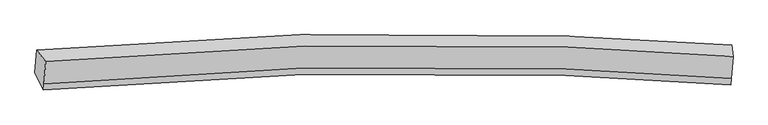
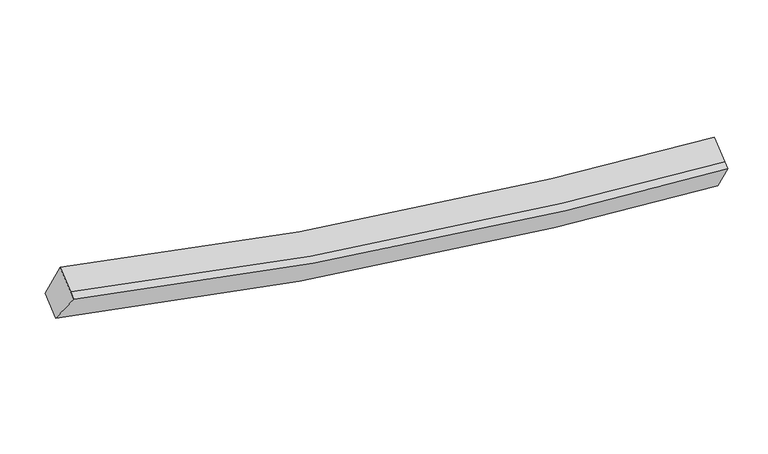
"""IFC4 building model written with IfcOpenShell, lengths in millimetres: proxy geometry."""

from ifc_helpers import new_model, si_unit, frame, origin, place, context, project, spatial, source, transform, mapped, element, save
from ifc_brep_helpers import plane_surface, spline_curve, spline_surface, advanced_brep


def generic_models_89184cb9(model_context):
    return source(origin(), model_context, "Body", "AdvancedBrep", [
        advanced_brep(
        [(-7166.1737882, -1829.8010908, 4147.0742279), (-6997.7770666, -2043.7924353, 4752.9219014), (5764.9650686, -1943.1115511, 2894.0434796), (5743.5497504, -1734.0585399, 2285.5155488), (-7029.7220899, -2454.2483249, 4508.7849805), (5733.1075854, -2352.442653, 2650.5755763), (-7039.0658397, -2574.3044956, 4437.376226), (5723.7638355, -2472.4988236, 2579.1668218), (-7198.3355754, -2243.0421412, 3901.2807085), (5711.194673, -2149.7831413, 2038.2448269)],
        [
            (0, 1),
            (1, 2, spline_curve(3, [(-6997.7770666, -2043.7924353, 4752.9219014), (-3805.623647804, -1747.280589289, 3825.731119652), (-573.23526183, -1657.406835823, 3245.264423753), (3717.354138587, -1810.491313491, 2938.814994804), (4739.213131622, -1866.804772221, 2899.655549427), (5764.9650686, -1943.1115511, 2894.0434796)], [4, 2, 4], [0.0, 32.56275453396864, 42.691564052170065])),
            (2, 3),
            (3, 0, spline_curve(3, [(5743.5497504, -1734.0585399, 2285.5155488), (4711.991191447, -1657.511026904, 2291.685609342), (3682.945359793, -1600.921289519, 2331.32094983), (-643.753023721, -1446.522520746, 2639.430191214), (-3917.948371984, -1535.026440608, 3220.314409867), (-7166.1737882, -1829.8010908, 4147.0742279)], [4, 2, 4], [0.0, 10.128809518201422, 42.691564052170065])),
            (1, 4),
            (4, 5, spline_curve(3, [(-7029.7220899, -2454.2483249, 4508.7849805), (-3837.51723424, -2157.075574116, 3581.987300768), (-605.099669173, -2066.826891987, 3001.743611841), (3685.498809176, -2219.794745717, 2695.363548995), (4707.35780183, -2276.108204408, 2656.204103857), (5733.1075854, -2352.442653, 2650.5755763)], [4, 2, 4], [0.0, 32.38160410483113, 42.45406586569034])),
            (5, 2),
            (4, 6),
            (6, 7, spline_curve(3, [(-7039.0658397, -2574.3044956, 4437.376226), (-3846.860984019, -2277.131745352, 3510.578546368), (-614.443418389, -2186.88306193, 2930.334856779), (3676.155059064, -2339.850916652, 2623.954794801), (4698.014051853, -2396.164375057, 2584.795349417), (5723.7638355, -2472.4988236, 2579.1668218)], [4, 2, 4], [0.0, 32.38160251740025, 42.45406378448105])),
            (7, 5),
            (6, 8),
            (8, 9, spline_curve(3, [(-7198.3355754, -2243.0421412, 3901.2807085), (-3950.22373307, -1949.726780537, 2973.652914106), (-676.092815276, -1862.050709219, 2392.276294302), (3650.585527653, -2016.706986154, 2084.013888927), (4679.631359253, -2073.296723204, 2044.378548641), (5711.194673, -2149.7831413, 2038.2448269)], [4, 2, 4], [0.0, 32.56275628163219, 42.691566343453204])),
            (9, 7),
            (8, 0),
            (3, 9),
        ],
        [
            spline_surface(3, 3, [[(-7166.1737882, -1829.8010908, 4147.0742279), (-3917.948372162, -1535.026441102, 3220.314410194), (-643.753024213, -1446.522520242, 2639.430190932), (3682.945359946, -1600.921289676, 2331.320949918), (4711.991191578, -1657.51102687, 2291.685609461), (5743.5497504, -1734.0585399, 2285.5155488)], [(-7110.041547661, -1901.131538956, 4349.02345242), (-3880.506797424, -1605.77782376, 3422.119979969), (-620.247103593, -1516.817292047, 2841.374935349), (3694.41495286, -1670.777964294, 2533.818964849), (4721.065171563, -1727.275608638, 2494.342256107), (5750.688189797, -1803.742876949, 2488.35819239)], [(-7053.909307139, -1972.461987144, 4550.97267688), (-3843.065222702, -1676.529206449, 3623.925549685), (-596.741182926, -1587.112063862, 3043.319679733), (3705.884545821, -1740.634638922, 2736.316979749), (4730.139151555, -1797.04019046, 2696.998902785), (5757.826629203, -1873.427214051, 2691.20083601)], [(-6997.7770666, -2043.7924353, 4752.9219014), (-3805.623647964, -1747.280589107, 3825.73111946), (-573.235262306, -1657.406835666, 3245.26442415), (3717.354138735, -1810.491313539, 2938.81499468), (4739.21313154, -1866.804772228, 2899.655549432), (5764.9650686, -1943.1115511, 2894.0434796)]], [4, 4], [4, 2, 4], [0.0, 2.120514597948535], [0.0, 32.56275453396864, 42.691564052170065]),
            spline_surface(3, 3, [[(-6997.7770666, -2043.7924353, 4752.9219014), (-3805.623647964, -1747.280589107, 3825.73111946), (-573.235262306, -1657.406835666, 3245.26442415), (3717.354138735, -1810.491313539, 2938.81499468), (4739.21313154, -1866.804772228, 2899.655549432), (5764.9650686, -1943.1115511, 2894.0434796)], [(-7008.4254077, -2180.61106518, 4671.542927761), (-3816.254843407, -1883.878917496, 3744.483179944), (-583.856731065, -1793.880187636, 3164.090819926), (3706.735695511, -1946.925790962, 2857.664512824), (4728.594688316, -2003.239249651, 2818.505067576), (5754.345907551, -2079.555251724, 2812.887511834)], [(-7019.0737488, -2317.42969502, 4590.163954139), (-3826.886038849, -2020.477245844, 3663.235240446), (-594.478199876, -1930.353539635, 3082.917215698), (3696.117252233, -2083.360268413, 2776.514030965), (4717.976245039, -2139.673727102, 2737.354585717), (5743.726746449, -2215.998952376, 2731.731544066)], [(-7029.7220899, -2454.2483249, 4508.7849805), (-3837.517234291, -2157.075574233, 3581.987300931), (-605.099668635, -2066.826891605, 3001.743611474), (3685.498809009, -2219.794745836, 2695.363549109), (4707.357801814, -2276.108204525, 2656.204103861), (5733.1075854, -2352.442653, 2650.5755763)]], [4, 4], [4, 2, 4], [0.0, 1.5667829104478952], [0.0, 32.38160410483113, 42.45406586569034]),
            spline_surface(3, 3, [[(-7029.7220899, -2454.2483249, 4508.7849805), (-3837.517234291, -2157.075574233, 3581.987300931), (-605.099668635, -2066.826891605, 3001.743611474), (3685.498809009, -2219.794745836, 2695.363549109), (4707.357801814, -2276.108204525, 2656.204103861), (5733.1075854, -2352.442653, 2650.5755763)], [(-7032.836673194, -2494.267048464, 4484.982062339), (-3840.631817584, -2197.094297797, 3558.184382769), (-608.214251928, -2106.845615169, 2977.940693313), (3682.384225715, -2259.8134694, 2671.560630948), (4704.243218521, -2316.126928088, 2632.401185699), (5729.993002106, -2392.461376564, 2626.772658139)], [(-7035.951256406, -2534.285772036, 4461.179144161), (-3843.746400797, -2237.113021369, 3534.381464592), (-611.328835241, -2146.864338741, 2954.137775235), (3679.269642403, -2299.832192972, 2647.757712871), (4701.128635208, -2356.145651561, 2608.598267522), (5726.878418794, -2432.480100036, 2602.969739961)], [(-7039.0658397, -2574.3044956, 4437.376226), (-3846.860984091, -2277.131744933, 3510.578546431), (-614.443418535, -2186.883062305, 2930.334857074), (3676.155059109, -2339.850916536, 2623.954794709), (4698.014051914, -2396.164375125, 2584.795349361), (5723.7638355, -2472.4988236, 2579.1668218)]], [4, 4], [4, 2, 4], [0.0, 0.45931758530184014], [0.0, 32.38160251740025, 42.45406378448105]),
            spline_surface(3, 3, [[(-7039.0658397, -2574.3044956, 4437.376226), (-3846.860984091, -2277.131744933, 3510.578546431), (-614.443418535, -2186.883062305, 2930.334857074), (3676.155059109, -2339.850916536, 2623.954794709), (4698.014051914, -2396.164375125, 2584.795349361), (5723.7638355, -2472.4988236, 2579.1668218)], [(-7092.155751584, -2463.883710805, 4258.67772017), (-3881.315233743, -2167.99675666, 3331.603335593), (-634.993217439, -2078.605611415, 2750.982002685), (3667.631881944, -2232.136273058, 2443.974492845), (4691.886487678, -2288.541824496, 2404.656415781), (5719.574114645, -2364.9269295, 2398.859490172)], [(-7145.245663516, -2353.462925995, 4079.97921433), (-3915.769483444, -2058.861768374, 3152.628124745), (-655.54301632, -1970.328160466, 2571.629148245), (3659.108704803, -2124.421629521, 2263.994190929), (4685.758923506, -2180.919273866, 2224.517482187), (5715.384393855, -2257.3550354, 2218.552158528)], [(-7198.3355754, -2243.0421412, 3901.2807085), (-3950.223733096, -1949.726780101, 2973.652913907), (-676.092815225, -1862.050709576, 2392.276293856), (3650.585527638, -2016.706986043, 2084.013889065), (4679.63135927, -2073.296723237, 2044.378548608), (5711.194673, -2149.7831413, 2038.2448269)]], [4, 4], [4, 2, 4], [0.0, 2.074947705329032], [0.0, 32.56275628163219, 42.691566343453204]),
            spline_surface(3, 3, [[(-7198.3355754, -2243.0421412, 3901.2807085), (-3950.223733096, -1949.726780101, 2973.652913907), (-676.092815225, -1862.050709576, 2392.276293856), (3650.585527638, -2016.706986043, 2084.013889065), (4679.63135927, -2073.296723237, 2044.378548608), (5711.194673, -2149.7831413, 2038.2448269)], [(-7187.614979661, -2105.295124396, 3983.21188161), (-3939.465279446, -1811.493333764, 3055.873412646), (-665.312884888, -1723.541313127, 2474.660926214), (3661.372138407, -1878.111753917, 2166.449576015), (4690.417970039, -1934.701491111, 2126.814235558), (5721.9796988, -2011.208274163, 2120.668400866)], [(-7176.894383939, -1967.548107604, 4065.14305479), (-3928.706825812, -1673.259887439, 3138.093911455), (-654.53295455, -1585.031916691, 2557.045558574), (3672.158749176, -1739.516521802, 2248.885262968), (4701.204580809, -1796.106258996, 2209.249922511), (5732.7647246, -1872.633407037, 2203.091974834)], [(-7166.1737882, -1829.8010908, 4147.0742279), (-3917.948372162, -1535.026441102, 3220.314410194), (-643.753024213, -1446.522520242, 2639.430190932), (3682.945359946, -1600.921289676, 2331.320949918), (4711.991191578, -1657.51102687, 2291.685609461), (5743.5497504, -1734.0585399, 2285.5155488)]], [4, 4], [4, 2, 4], [0.0, 1.5888657987472776], [0.0, 32.74394571245276, 42.9291156632868]),
            plane_surface(frame((5735.8683318, -2074.863014, 2449.2426692), z_axis=(0.9975708421131348, -0.047128022470168784, -0.05129682703386622), x_axis=(-0.019951051688835125, 0.5122471147601387, -0.8586063410879416))),
            plane_surface(frame((-7100.3380675, -2172.7350407, 4309.663266), z_axis=(-0.9672154625167442, -0.06993528595551884, 0.2441378808109067), x_axis=(-0.06674107058030085, -0.8575440763703819, -0.5100625320290287))),
        ],
        [
            (0, [[1, 2, 3, 4]]),
            (1, [[5, 6, 7, -2]]),
            (2, [[8, 9, 10, -6]]),
            (3, [[11, 12, 13, -9]]),
            (4, [[14, -4, 15, -12]]),
            (5, [[-13, -15, -3, -7, -10]]),
            (6, [[-14, -11, -8, -5, -1]]),
        ],
    ),
    ])


if __name__ == "__main__":
    model = new_model("IFC4")
    model_context = context("Model", 3, world=origin())
    ifc_project = project(units=[si_unit("LENGTHUNIT", "METRE", prefix="MILLI")], contexts=[model_context])
    site = spatial("IfcSite", under=ifc_project)
    building = spatial("IfcBuilding", under=site)
    placement = place(None, origin())
    generic_models_shape = generic_models_89184cb9(model_context)
    element("IfcBuildingElementProxy", 1, Name="Generic Models", at=placement, inside=building, context=model_context, shape_type="MappedRepresentation", body=[
        mapped(generic_models_shape, transform((0.0, 0.0, 0.0), x_axis=(1.0, 0.0, 0.0), y_axis=(0.0, 1.0, 0.0), z_axis=(0.0, 0.0, 1.0))),
    ])
    save(model, "model.ifc")
